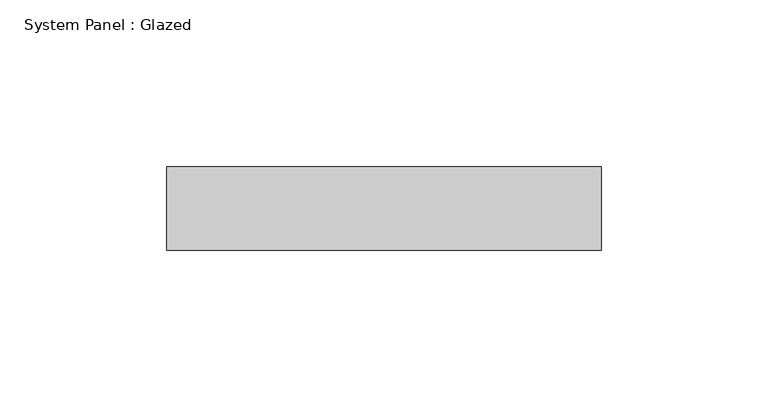
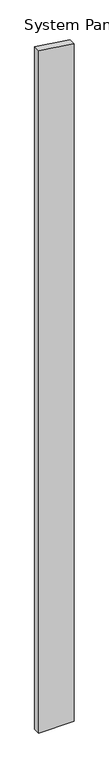
"""IFC4 building model written with IfcOpenShell, lengths in millimetres: plate geometry, System Panel : Glazed."""

from ifc_helpers import new_model, si_unit, frame, origin, place, context, project, spatial, polyline, outline, extrude, source, transform, mapped, element, save


def system_panel_glazed_db836c79(model_context):
    return source(origin(), model_context, "Body", "SweptSolid", [
        extrude(outline(polyline([(0.0, -65.0), (0.0, 65.0), (2623.652265, 65.0), (2642.8839347, -65.0), (0.0, -65.0)])), frame((0.0, 24.5, 0.0), z_axis=(0.0, 1.0, 0.0), x_axis=(0.0, 0.0, 1.0)), (0.0, 0.0, 1.0), 25.0),
    ])


if __name__ == "__main__":
    model = new_model("IFC4")
    model_context = context("Model", 3, world=origin())
    ifc_project = project(units=[si_unit("LENGTHUNIT", "METRE", prefix="MILLI")], contexts=[model_context])
    site = spatial("IfcSite", under=ifc_project)
    building = spatial("IfcBuilding", under=site)
    placement = place(None, origin())
    system_panel_glazed_shape = system_panel_glazed_db836c79(model_context)
    element("IfcPlate", 1, ObjectType="System Panel : Glazed", at=placement, inside=building, context=model_context, shape_type="MappedRepresentation", body=[
        mapped(system_panel_glazed_shape, transform((0.0, 0.0, 0.0), x_axis=(1.0, 0.0, 0.0), y_axis=(0.0, 1.0, 0.0), z_axis=(0.0, 0.0, 1.0))),
    ])
    save(model, "model.ifc")
